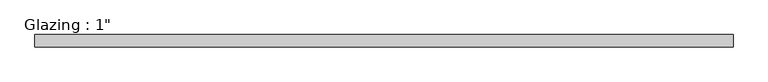
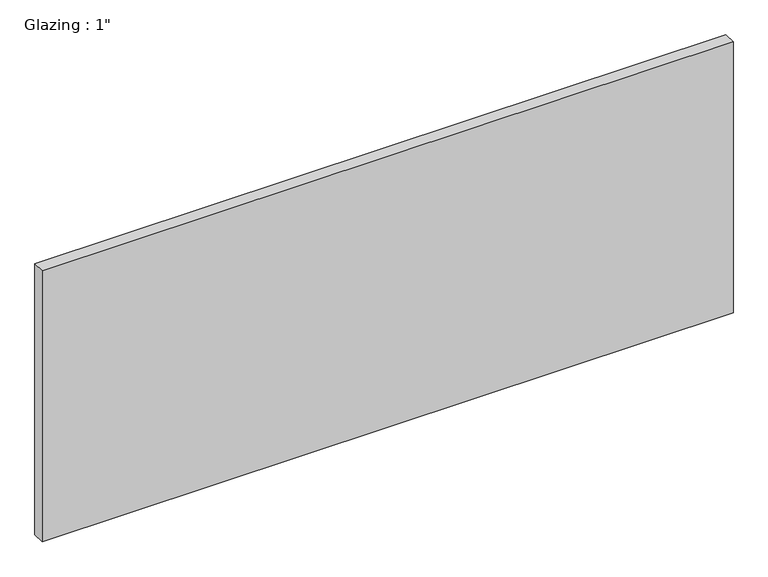
"""IFC4 building model written with IfcOpenShell, lengths in millimetres: plate geometry."""

from ifc_helpers import new_model, si_unit, origin, origin_with_axes, place, context, project, spatial, polyline, outline, extrude, source, transform, mapped, element, save


def plate_48fb130f(model_context):
    return source(origin(), model_context, "Body", "SweptSolid", [
        extrude(outline(polyline([(712.2465169, 12.7), (712.2465169, -12.7), (-712.2465169, -12.7), (-712.2465169, 12.7), (712.2465169, 12.7)])), origin_with_axes(), (0.0, 0.0, 1.0), 590.5497736),
    ])


if __name__ == "__main__":
    model = new_model("IFC4")
    model_context = context("Model", 3, world=origin())
    ifc_project = project(units=[si_unit("LENGTHUNIT", "METRE", prefix="MILLI")], contexts=[model_context])
    site = spatial("IfcSite", under=ifc_project)
    building = spatial("IfcBuilding", under=site)
    placement = place(None, origin())
    plate_shape = plate_48fb130f(model_context)
    element("IfcPlate", 1, ObjectType="Glazing : 1\"", at=placement, inside=building, context=model_context, shape_type="MappedRepresentation", body=[
        mapped(plate_shape, transform((0.0, 0.0, 0.0), x_axis=(1.0, 0.0, 0.0), y_axis=(0.0, 1.0, 0.0), z_axis=(0.0, 0.0, 1.0))),
    ])
    save(model, "model.ifc")
